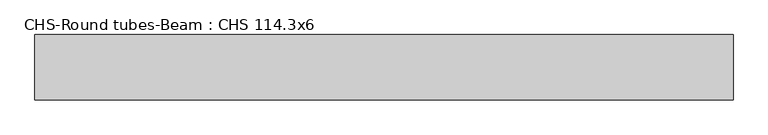
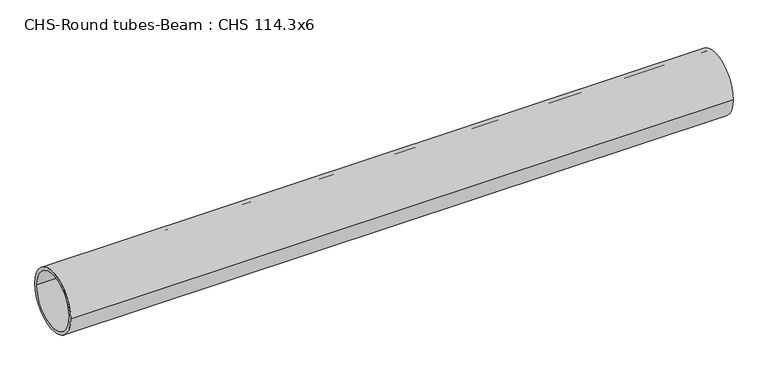
"""IFC4 building model written with IfcOpenShell, lengths in millimetres: beam geometry, CHS-Round tubes-Beam : CHS 114.3x6."""

import ifcopenshell
import ifcopenshell.guid

model = None  # the IFC model being written
_history = None  # IfcOwnerHistory: only IFC2X3 demands one
_inside = {}  # id of a spatial element -> (the spatial element, [elements in it])
_under = {}  # id of a project, library or spatial element -> (it, [spatial elements below it])
_declared = {}  # id of a project -> (the project, [libraries it declares])
_typed = {}  # id of a type object -> (the type object, [elements of that type])
_made_of = {}  # id of a material, layer set ... -> (it, [elements and type objects made of it])


def new_model(schema):
    """Start an empty IFC model of exactly this schema.

    Asked for "IFC4X3", IfcOpenShell would pick the latest addendum, in which some entities
    have other attributes; the version numbers below select the first issue.
    IFC2X3 requires an IfcOwnerHistory on every rooted entity: one is made here for all.
    """
    global model, _history
    if schema == "IFC4X3":
        model = ifcopenshell.file(schema_version=(4, 3, 0, 0))
    else:
        model = ifcopenshell.file(schema=schema)
    _inside.clear()
    _under.clear()
    _declared.clear()
    _typed.clear()
    _made_of.clear()
    _history = None
    if model.schema == "IFC2X3":
        org = make("IfcOrganization", Name="unknown")
        user = make(
            "IfcPersonAndOrganization",
            ThePerson=make("IfcPerson", FamilyName="unknown"),
            TheOrganization=org,
        )
        app = make(
            "IfcApplication",
            ApplicationDeveloper=org,
            Version="unknown",
            ApplicationFullName="unknown",
            ApplicationIdentifier="unknown",
        )
        _history = make(
            "IfcOwnerHistory",
            OwningUser=user,
            OwningApplication=app,
            ChangeAction="ADDED",
            CreationDate=0,
        )
    return model


def make(cls, **values):
    """One entity of the class cls with the attributes given. An attribute that is None is left unset."""
    return model.create_entity(
        cls, **{name: value for name, value in values.items() if value is not None}
    )


def rooted(cls, **values):
    """An entity with a GlobalId (a new one), such as an element, a storey or a relation."""
    return make(cls, GlobalId=ifcopenshell.guid.new(), OwnerHistory=_history, **values)


def si_unit(unit_type, name, prefix=None):
    """IfcSIUnit, for example si_unit("LENGTHUNIT", "METRE", prefix="MILLI")."""
    return make("IfcSIUnit", UnitType=unit_type, Prefix=prefix, Name=name)


def assignment(units):
    """IfcUnitAssignment: the units of a project."""
    return None if units is None else make("IfcUnitAssignment", Units=units)


def point(xyz):
    """IfcCartesianPoint."""
    return None if xyz is None else make("IfcCartesianPoint", Coordinates=xyz)


def direction(xyz):
    """IfcDirection."""
    return None if xyz is None else make("IfcDirection", DirectionRatios=xyz)


def frame(location, z_axis=None, x_axis=None):
    """IfcAxis2Placement3D, a coordinate frame: its origin and axes. An axis left out is left unset."""
    return make(
        "IfcAxis2Placement3D",
        Location=point(location),
        Axis=direction(z_axis),
        RefDirection=direction(x_axis),
    )


def frame_2d(location, x_axis=None):
    """IfcAxis2Placement2D, a coordinate frame in the plane: its origin and x axis."""
    return make(
        "IfcAxis2Placement2D", Location=point(location), RefDirection=direction(x_axis)
    )


def origin():
    """The frame at (0, 0, 0) with its axes left unset."""
    return frame((0.0, 0.0, 0.0))


def origin_2d():
    """The frame at (0, 0) in the plane with its x axis left unset."""
    return frame_2d((0.0, 0.0))


def place(relative_to, where):
    """IfcLocalPlacement: puts the frame where relative to a parent placement (None: the world)."""
    return make(
        "IfcLocalPlacement", PlacementRelTo=relative_to, RelativePlacement=where
    )


def context(
    kind, dimensions, precision=None, world=None, true_north=None, identifier=None
):
    """IfcGeometricRepresentationContext, for example the 3D "Model" context."""
    return make(
        "IfcGeometricRepresentationContext",
        ContextIdentifier=identifier,
        ContextType=kind,
        CoordinateSpaceDimension=dimensions,
        Precision=precision,
        WorldCoordinateSystem=world,
        TrueNorth=true_north,
    )


def project(units=None, contexts=None):
    """IfcProject with its units and contexts."""
    return rooted(
        "IfcProject",
        Name="project",
        RepresentationContexts=contexts,
        UnitsInContext=assignment(units),
    )


def spatial(cls, under=None, at=None, **own):
    """A site, building, storey or space (cls), placed at a placement, below another one or the project."""
    s = rooted(cls, ObjectPlacement=at, **own)
    if under is not None:
        _under.setdefault(under.id(), (under, []))[1].append(s)
    return s


def circle_curve(where, radius):
    """IfcCircle in the frame where."""
    return make("IfcCircle", Position=where, Radius=radius)


def trimmed(basis, trim1, trim2, sense, master):
    """IfcTrimmedCurve: the piece of a basis curve between two trims."""
    return make(
        "IfcTrimmedCurve",
        BasisCurve=basis,
        Trim1=trim1,
        Trim2=trim2,
        SenseAgreement=sense,
        MasterRepresentation=master,
    )


def segment(curve, same_sense, transition):
    """IfcCompositeCurveSegment."""
    return make(
        "IfcCompositeCurveSegment",
        Transition=transition,
        SameSense=same_sense,
        ParentCurve=curve,
    )


def composite_curve(segments, self_intersect=None):
    """IfcCompositeCurve: segments joined end to end."""
    return make("IfcCompositeCurve", Segments=segments, SelfIntersect=self_intersect)


def outline(outer, holes=None, kind="AREA"):
    """IfcArbitraryClosedProfileDef: a profile drawn as a closed curve; with holes, ...WithVoids."""
    if holes is None:
        return make("IfcArbitraryClosedProfileDef", ProfileType=kind, OuterCurve=outer)
    return make(
        "IfcArbitraryProfileDefWithVoids",
        ProfileType=kind,
        OuterCurve=outer,
        InnerCurves=holes,
    )


def extrude(swept, where, along, depth):
    """IfcExtrudedAreaSolid: the profile swept, set in the frame where, extruded along a direction by depth."""
    return make(
        "IfcExtrudedAreaSolid",
        SweptArea=swept,
        Position=where,
        ExtrudedDirection=direction(along),
        Depth=depth,
    )


def shape(context_of_items, identifier, shape_type, items):
    """IfcShapeRepresentation: the items that make up one representation, for example the "Body"."""
    return make(
        "IfcShapeRepresentation",
        ContextOfItems=context_of_items,
        RepresentationIdentifier=identifier,
        RepresentationType=shape_type,
        Items=items,
    )


def source(mapping_origin, context_of_items, identifier, shape_type, items):
    """IfcRepresentationMap: a shape defined once, which mapped items show again and again."""
    return make(
        "IfcRepresentationMap",
        MappingOrigin=mapping_origin,
        MappedRepresentation=shape(context_of_items, identifier, shape_type, items),
    )


def transform(
    local_origin,
    x_axis=None,
    y_axis=None,
    z_axis=None,
    scale=None,
    scale2=None,
    scale3=None,
    uniform=True,
):
    """IfcCartesianTransformationOperator3D, or its non-uniform kind. x_axis, y_axis, z_axis: its Axis1, 2, 3."""
    if uniform:
        return make(
            "IfcCartesianTransformationOperator3D",
            Axis1=direction(x_axis),
            Axis2=direction(y_axis),
            LocalOrigin=point(local_origin),
            Scale=scale,
            Axis3=direction(z_axis),
        )
    return make(
        "IfcCartesianTransformationOperator3DnonUniform",
        Axis1=direction(x_axis),
        Axis2=direction(y_axis),
        LocalOrigin=point(local_origin),
        Scale=scale,
        Axis3=direction(z_axis),
        Scale2=scale2,
        Scale3=scale3,
    )


def mapped(mapping_source, mapping_target):
    """IfcMappedItem: shows the shape of a source again, moved by a transform."""
    return make(
        "IfcMappedItem", MappingSource=mapping_source, MappingTarget=mapping_target
    )


def made_of(thing, what):
    """Note that an element or type object is made of a material, layer set ...; save() writes the relation."""
    if what is not None:
        _made_of.setdefault(what.id(), (what, []))[1].append(thing)
    return thing


def element(
    cls,
    number,
    at=None,
    inside=None,
    cuts=None,
    type_object=None,
    material=None,
    context=None,
    identifier="Body",
    shape_type=None,
    held_by="IfcProductDefinitionShape",
    body=None,
    shapes=None,
    **own,
):
    """One element of the class cls, such as IfcWall. Its Tag is "e" and its number.

    at: its placement. inside: the storey or other place that contains it. cuts: it is an
    opening in that element (IfcRelVoidsElement). A single representation is given by context,
    identifier, shape_type and body (its items); several are given by shapes. held_by: the class
    of the entity that holds the representations. save() writes the other relations.
    """
    e = rooted(cls, Tag="e%d" % number, ObjectPlacement=at, **own)
    if body is not None:
        shapes = [shape(context, identifier, shape_type, body)]
    if shapes is not None:
        e.Representation = make(held_by, Representations=shapes)
    if inside is not None:
        _inside.setdefault(inside.id(), (inside, []))[1].append(e)
    if cuts is not None:
        rooted(
            "IfcRelVoidsElement", RelatingBuildingElement=cuts, RelatedOpeningElement=e
        )
    if type_object is not None:
        _typed.setdefault(type_object.id(), (type_object, []))[1].append(e)
    return made_of(e, material)


def aggregate(whole, parts):
    """IfcRelAggregates: a whole, such as a stair, and the parts it consists of."""
    return rooted("IfcRelAggregates", RelatingObject=whole, RelatedObjects=parts)


def save(model, path):
    """Write the relations noted so far, then the file.

    IfcRelAggregates (storeys below a building ...), IfcRelContainedInSpatialStructure (elements
    in a storey), IfcRelDefinesByType, IfcRelAssociatesMaterial and IfcRelDeclares: one each for
    every whole, place, type object, material and project.
    """
    for whole, parts in _under.values():
        aggregate(whole, parts)
    for where, things in _inside.values():
        rooted(
            "IfcRelContainedInSpatialStructure",
            RelatedElements=things,
            RelatingStructure=where,
        )
    for kind, things in _typed.values():
        rooted("IfcRelDefinesByType", RelatedObjects=things, RelatingType=kind)
    for what, things in _made_of.values():
        rooted("IfcRelAssociatesMaterial", RelatedObjects=things, RelatingMaterial=what)
    for by, libraries in _declared.values():
        rooted("IfcRelDeclares", RelatingContext=by, RelatedDefinitions=libraries)
    model.write(path)


def chs_round_tubes_beam_chs_114_3x6_66302b2b(model_context):
    return source(origin(), model_context, "Body", "SweptSolid", [
        extrude(outline(composite_curve([segment(trimmed(circle_curve(origin_2d(), 57.15), [point((57.15, 0.0))], [point((-57.15, 0.0))], False, "CARTESIAN"), True, "CONTINUOUS"), segment(trimmed(circle_curve(origin_2d(), 57.15), [point((-57.15, 0.0))], [point((57.15, 0.0))], False, "CARTESIAN"), True, "CONTINUOUS")], self_intersect=False), holes=[composite_curve([segment(trimmed(circle_curve(origin_2d(), 51.15), [point((51.15, 0.0))], [point((-51.15, 0.0))], True, "CARTESIAN"), True, "CONTINUOUS"), segment(trimmed(circle_curve(origin_2d(), 51.15), [point((-51.15, 0.0))], [point((51.15, 0.0))], True, "CARTESIAN"), True, "CONTINUOUS")], self_intersect=False)]), frame((-491.0392739, 0.0, 0.0), z_axis=(1.0, 0.0, 0.0), x_axis=(0.0, 1.0, 0.0)), (0.0, 0.0, 1.0), 1221.3307283),
    ])


if __name__ == "__main__":
    model = new_model("IFC4")
    model_context = context("Model", 3, world=origin())
    ifc_project = project(units=[si_unit("LENGTHUNIT", "METRE", prefix="MILLI")], contexts=[model_context])
    site = spatial("IfcSite", under=ifc_project)
    building = spatial("IfcBuilding", under=site)
    placement = place(None, origin())
    chs_round_tubes_beam_chs_114_3x6_shape = chs_round_tubes_beam_chs_114_3x6_66302b2b(model_context)
    element("IfcBeam", 1, ObjectType="CHS-Round tubes-Beam : CHS 114.3x6", at=placement, inside=building, context=model_context, shape_type="MappedRepresentation", body=[
        mapped(chs_round_tubes_beam_chs_114_3x6_shape, transform((0.0, 0.0, 0.0), x_axis=(1.0, 0.0, 0.0), y_axis=(0.0, 1.0, 0.0), z_axis=(0.0, 0.0, 1.0))),
    ])
    save(model, "model.ifc")
